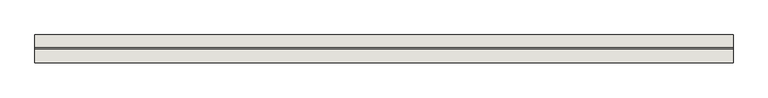
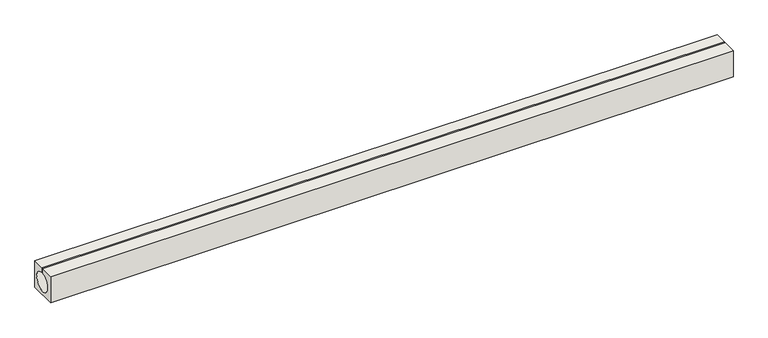
"""IFC4 building model written with IfcOpenShell, lengths in millimetres: wall geometry."""

import ifcopenshell
import ifcopenshell.guid

model = None  # the IFC model being written
_history = None  # IfcOwnerHistory: only IFC2X3 demands one
_inside = {}  # id of a spatial element -> (the spatial element, [elements in it])
_under = {}  # id of a project, library or spatial element -> (it, [spatial elements below it])
_declared = {}  # id of a project -> (the project, [libraries it declares])
_typed = {}  # id of a type object -> (the type object, [elements of that type])
_made_of = {}  # id of a material, layer set ... -> (it, [elements and type objects made of it])


def new_model(schema):
    """Start an empty IFC model of exactly this schema.

    Asked for "IFC4X3", IfcOpenShell would pick the latest addendum, in which some entities
    have other attributes; the version numbers below select the first issue.
    IFC2X3 requires an IfcOwnerHistory on every rooted entity: one is made here for all.
    """
    global model, _history
    if schema == "IFC4X3":
        model = ifcopenshell.file(schema_version=(4, 3, 0, 0))
    else:
        model = ifcopenshell.file(schema=schema)
    _inside.clear()
    _under.clear()
    _declared.clear()
    _typed.clear()
    _made_of.clear()
    _history = None
    if model.schema == "IFC2X3":
        org = make("IfcOrganization", Name="unknown")
        user = make(
            "IfcPersonAndOrganization",
            ThePerson=make("IfcPerson", FamilyName="unknown"),
            TheOrganization=org,
        )
        app = make(
            "IfcApplication",
            ApplicationDeveloper=org,
            Version="unknown",
            ApplicationFullName="unknown",
            ApplicationIdentifier="unknown",
        )
        _history = make(
            "IfcOwnerHistory",
            OwningUser=user,
            OwningApplication=app,
            ChangeAction="ADDED",
            CreationDate=0,
        )
    return model


def make(cls, **values):
    """One entity of the class cls with the attributes given. An attribute that is None is left unset."""
    return model.create_entity(
        cls, **{name: value for name, value in values.items() if value is not None}
    )


def rooted(cls, **values):
    """An entity with a GlobalId (a new one), such as an element, a storey or a relation."""
    return make(cls, GlobalId=ifcopenshell.guid.new(), OwnerHistory=_history, **values)


def si_unit(unit_type, name, prefix=None):
    """IfcSIUnit, for example si_unit("LENGTHUNIT", "METRE", prefix="MILLI")."""
    return make("IfcSIUnit", UnitType=unit_type, Prefix=prefix, Name=name)


def assignment(units):
    """IfcUnitAssignment: the units of a project."""
    return None if units is None else make("IfcUnitAssignment", Units=units)


def point(xyz):
    """IfcCartesianPoint."""
    return None if xyz is None else make("IfcCartesianPoint", Coordinates=xyz)


def direction(xyz):
    """IfcDirection."""
    return None if xyz is None else make("IfcDirection", DirectionRatios=xyz)


def frame(location, z_axis=None, x_axis=None):
    """IfcAxis2Placement3D, a coordinate frame: its origin and axes. An axis left out is left unset."""
    return make(
        "IfcAxis2Placement3D",
        Location=point(location),
        Axis=direction(z_axis),
        RefDirection=direction(x_axis),
    )


def frame_2d(location, x_axis=None):
    """IfcAxis2Placement2D, a coordinate frame in the plane: its origin and x axis."""
    return make(
        "IfcAxis2Placement2D", Location=point(location), RefDirection=direction(x_axis)
    )


def origin():
    """The frame at (0, 0, 0) with its axes left unset."""
    return frame((0.0, 0.0, 0.0))


def place(relative_to, where):
    """IfcLocalPlacement: puts the frame where relative to a parent placement (None: the world)."""
    return make(
        "IfcLocalPlacement", PlacementRelTo=relative_to, RelativePlacement=where
    )


def context(
    kind, dimensions, precision=None, world=None, true_north=None, identifier=None
):
    """IfcGeometricRepresentationContext, for example the 3D "Model" context."""
    return make(
        "IfcGeometricRepresentationContext",
        ContextIdentifier=identifier,
        ContextType=kind,
        CoordinateSpaceDimension=dimensions,
        Precision=precision,
        WorldCoordinateSystem=world,
        TrueNorth=true_north,
    )


def project(units=None, contexts=None):
    """IfcProject with its units and contexts."""
    return rooted(
        "IfcProject",
        Name="project",
        RepresentationContexts=contexts,
        UnitsInContext=assignment(units),
    )


def spatial(cls, under=None, at=None, **own):
    """A site, building, storey or space (cls), placed at a placement, below another one or the project."""
    s = rooted(cls, ObjectPlacement=at, **own)
    if under is not None:
        _under.setdefault(under.id(), (under, []))[1].append(s)
    return s


def polyline(points):
    """IfcPolyline through the points."""
    return make("IfcPolyline", Points=[point(p) for p in points])


def circle_curve(where, radius):
    """IfcCircle in the frame where."""
    return make("IfcCircle", Position=where, Radius=radius)


def trimmed(basis, trim1, trim2, sense, master):
    """IfcTrimmedCurve: the piece of a basis curve between two trims."""
    return make(
        "IfcTrimmedCurve",
        BasisCurve=basis,
        Trim1=trim1,
        Trim2=trim2,
        SenseAgreement=sense,
        MasterRepresentation=master,
    )


def segment(curve, same_sense, transition):
    """IfcCompositeCurveSegment."""
    return make(
        "IfcCompositeCurveSegment",
        Transition=transition,
        SameSense=same_sense,
        ParentCurve=curve,
    )


def composite_curve(segments, self_intersect=None):
    """IfcCompositeCurve: segments joined end to end."""
    return make("IfcCompositeCurve", Segments=segments, SelfIntersect=self_intersect)


def outline(outer, holes=None, kind="AREA"):
    """IfcArbitraryClosedProfileDef: a profile drawn as a closed curve; with holes, ...WithVoids."""
    if holes is None:
        return make("IfcArbitraryClosedProfileDef", ProfileType=kind, OuterCurve=outer)
    return make(
        "IfcArbitraryProfileDefWithVoids",
        ProfileType=kind,
        OuterCurve=outer,
        InnerCurves=holes,
    )


def extrude(swept, where, along, depth):
    """IfcExtrudedAreaSolid: the profile swept, set in the frame where, extruded along a direction by depth."""
    return make(
        "IfcExtrudedAreaSolid",
        SweptArea=swept,
        Position=where,
        ExtrudedDirection=direction(along),
        Depth=depth,
    )


def shape(context_of_items, identifier, shape_type, items):
    """IfcShapeRepresentation: the items that make up one representation, for example the "Body"."""
    return make(
        "IfcShapeRepresentation",
        ContextOfItems=context_of_items,
        RepresentationIdentifier=identifier,
        RepresentationType=shape_type,
        Items=items,
    )


def source(mapping_origin, context_of_items, identifier, shape_type, items):
    """IfcRepresentationMap: a shape defined once, which mapped items show again and again."""
    return make(
        "IfcRepresentationMap",
        MappingOrigin=mapping_origin,
        MappedRepresentation=shape(context_of_items, identifier, shape_type, items),
    )


def transform(
    local_origin,
    x_axis=None,
    y_axis=None,
    z_axis=None,
    scale=None,
    scale2=None,
    scale3=None,
    uniform=True,
):
    """IfcCartesianTransformationOperator3D, or its non-uniform kind. x_axis, y_axis, z_axis: its Axis1, 2, 3."""
    if uniform:
        return make(
            "IfcCartesianTransformationOperator3D",
            Axis1=direction(x_axis),
            Axis2=direction(y_axis),
            LocalOrigin=point(local_origin),
            Scale=scale,
            Axis3=direction(z_axis),
        )
    return make(
        "IfcCartesianTransformationOperator3DnonUniform",
        Axis1=direction(x_axis),
        Axis2=direction(y_axis),
        LocalOrigin=point(local_origin),
        Scale=scale,
        Axis3=direction(z_axis),
        Scale2=scale2,
        Scale3=scale3,
    )


def mapped(mapping_source, mapping_target):
    """IfcMappedItem: shows the shape of a source again, moved by a transform."""
    return make(
        "IfcMappedItem", MappingSource=mapping_source, MappingTarget=mapping_target
    )


def made_of(thing, what):
    """Note that an element or type object is made of a material, layer set ...; save() writes the relation."""
    if what is not None:
        _made_of.setdefault(what.id(), (what, []))[1].append(thing)
    return thing


def element(
    cls,
    number,
    at=None,
    inside=None,
    cuts=None,
    type_object=None,
    material=None,
    context=None,
    identifier="Body",
    shape_type=None,
    held_by="IfcProductDefinitionShape",
    body=None,
    shapes=None,
    **own,
):
    """One element of the class cls, such as IfcWall. Its Tag is "e" and its number.

    at: its placement. inside: the storey or other place that contains it. cuts: it is an
    opening in that element (IfcRelVoidsElement). A single representation is given by context,
    identifier, shape_type and body (its items); several are given by shapes. held_by: the class
    of the entity that holds the representations. save() writes the other relations.
    """
    e = rooted(cls, Tag="e%d" % number, ObjectPlacement=at, **own)
    if body is not None:
        shapes = [shape(context, identifier, shape_type, body)]
    if shapes is not None:
        e.Representation = make(held_by, Representations=shapes)
    if inside is not None:
        _inside.setdefault(inside.id(), (inside, []))[1].append(e)
    if cuts is not None:
        rooted(
            "IfcRelVoidsElement", RelatingBuildingElement=cuts, RelatedOpeningElement=e
        )
    if type_object is not None:
        _typed.setdefault(type_object.id(), (type_object, []))[1].append(e)
    return made_of(e, material)


def aggregate(whole, parts):
    """IfcRelAggregates: a whole, such as a stair, and the parts it consists of."""
    return rooted("IfcRelAggregates", RelatingObject=whole, RelatedObjects=parts)


def save(model, path):
    """Write the relations noted so far, then the file.

    IfcRelAggregates (storeys below a building ...), IfcRelContainedInSpatialStructure (elements
    in a storey), IfcRelDefinesByType, IfcRelAssociatesMaterial and IfcRelDeclares: one each for
    every whole, place, type object, material and project.
    """
    for whole, parts in _under.values():
        aggregate(whole, parts)
    for where, things in _inside.values():
        rooted(
            "IfcRelContainedInSpatialStructure",
            RelatedElements=things,
            RelatingStructure=where,
        )
    for kind, things in _typed.values():
        rooted("IfcRelDefinesByType", RelatedObjects=things, RelatingType=kind)
    for what, things in _made_of.values():
        rooted("IfcRelAssociatesMaterial", RelatedObjects=things, RelatingMaterial=what)
    for by, libraries in _declared.values():
        rooted("IfcRelDeclares", RelatingContext=by, RelatedDefinitions=libraries)
    model.write(path)


def wall_f653f4fc(model_context):
    return source(origin(), model_context, "Body", "SweptSolid", [
        extrude(outline(composite_curve([segment(polyline([(454.0, 500.0), (734.0, 500.0), (734.0, 399.9974874)]), True, "CONTINUOUS"), segment(trimmed(circle_curve(frame_2d((754.0, 201.0)), 200.0), [point((734.0, 399.9974874))], [point((774.0, 399.9974874))], True, "CARTESIAN"), True, "CONTINUOUS"), segment(polyline([(774.0, 399.9974874), (774.0, 500.0), (1018.6770829, 500.0), (1018.6770829, -70.0), (454.0, -70.0), (454.0, 500.0)]), True, "CONTINUOUS")], self_intersect=False)), frame((124.0, 0.0, 0.0), z_axis=(1.0, 0.0, 0.0), x_axis=(0.0, 1.0, 0.0)), (0.0, 0.0, 1.0), 14073.0),
    ])


if __name__ == "__main__":
    model = new_model("IFC4")
    model_context = context("Model", 3, world=origin())
    ifc_project = project(units=[si_unit("LENGTHUNIT", "METRE", prefix="MILLI")], contexts=[model_context])
    site = spatial("IfcSite", under=ifc_project)
    building = spatial("IfcBuilding", under=site)
    placement = place(None, origin())
    wall_shape = wall_f653f4fc(model_context)
    element("IfcWall", 1, at=placement, inside=building, context=model_context, shape_type="MappedRepresentation", body=[
        mapped(wall_shape, transform((0.0, 0.0, 0.0), x_axis=(1.0, 0.0, 0.0), y_axis=(0.0, 1.0, 0.0), z_axis=(0.0, 0.0, 1.0))),
    ])
    save(model, "model.ifc")
